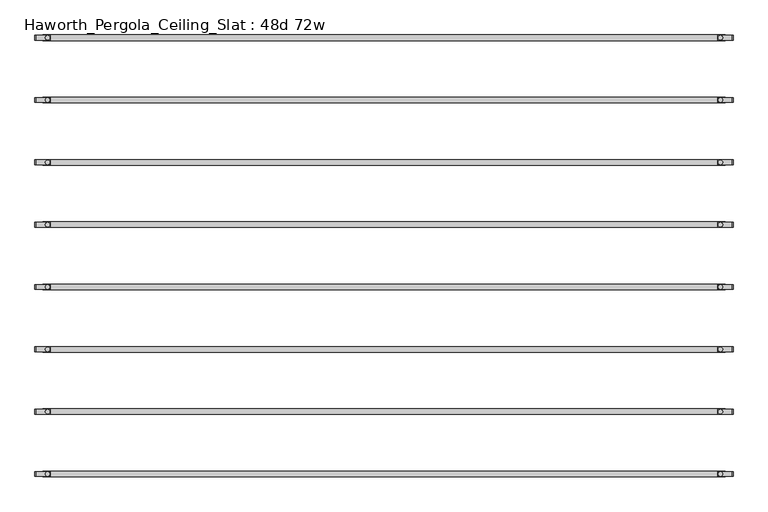
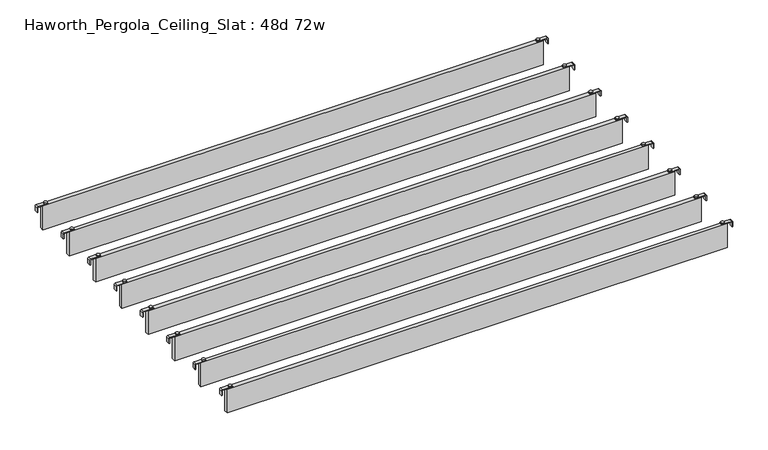
"""IFC4 building model written with IfcOpenShell, lengths in millimetres: furniture geometry, Haworth_Pergola_Ceiling_Slat : 48d 72w."""

from ifc_helpers import new_model, si_unit, point, frame, frame_2d, origin, place, context, project, spatial, polyline, circle_curve, trimmed, segment, composite_curve, outline, extrude, source, transform, mapped, element, save


def haworth_pergola_ceiling_slat_48d_72w_da40491f(model_context):
    return source(origin(), model_context, "Body", "SweptSolid", [
        extrude(outline(composite_curve([segment(trimmed(circle_curve(frame_2d((938.8, -921.4212857)), 5.9838099), [point((932.8161901, -921.4212857))], [point((944.7838099, -921.4212857))], False, "CARTESIAN"), True, "CONTINUOUS"), segment(trimmed(circle_curve(frame_2d((938.8, -921.4212857)), 5.9838099), [point((944.7838099, -921.4212857))], [point((932.8161901, -921.4212857))], False, "CARTESIAN"), True, "CONTINUOUS")], self_intersect=False)), frame((0.0, 0.0, 2440.9329992), z_axis=(0.0, 0.0, 1.0), x_axis=(1.0, 0.0, 0.0)), (0.0, 0.0, 1.0), 3.4400008),
        extrude(outline(composite_curve([segment(trimmed(circle_curve(frame_2d((-862.6, -921.4212857)), 5.9838099), [point((-856.6161901, -921.4212857))], [point((-868.5838099, -921.4212857))], False, "CARTESIAN"), True, "CONTINUOUS"), segment(trimmed(circle_curve(frame_2d((-862.6, -921.4212857)), 5.9838099), [point((-868.5838099, -921.4212857))], [point((-856.6161901, -921.4212857))], False, "CARTESIAN"), True, "CONTINUOUS")], self_intersect=False)), frame((0.0, 0.0, 2440.9329992), z_axis=(0.0, 0.0, 1.0), x_axis=(1.0, 0.0, 0.0)), (0.0, 0.0, 1.0), 3.4400008),
        extrude(outline(composite_curve([segment(polyline([(2419.2231711, 972.96), (2437.2499992, 972.96)]), True, "CONTINUOUS"), segment(trimmed(circle_curve(frame_2d((2437.2499992, 969.277)), 3.683), [point((2437.2499992, 972.96))], [point((2440.9329992, 969.277))], False, "CARTESIAN"), True, "CONTINUOUS"), segment(polyline([(2440.9329992, 969.277), (2440.9329992, 932.3), (2438.2729997, 932.3), (2438.2729997, 969.2905568)]), True, "CONTINUOUS"), segment(trimmed(circle_curve(frame_2d((2437.2635571, 969.2905568)), 1.0094425), [point((2438.2729997, 969.2905568))], [point((2437.2635571, 970.2999993))], True, "CARTESIAN"), True, "CONTINUOUS"), segment(polyline([(2437.2635571, 970.2999993), (2419.2231711, 970.2999993), (2419.2231711, 972.96)]), True, "CONTINUOUS")], self_intersect=False)), frame((0.0, -927.9142861, 0.0), z_axis=(0.0, 1.0, 0.0), x_axis=(0.0, 0.0, 1.0)), (0.0, 0.0, 1.0), 13.0),
        extrude(outline(composite_curve([segment(polyline([(2419.2231711, -896.76), (2419.2231711, -894.0999993), (2437.2635571, -894.0999993)]), True, "CONTINUOUS"), segment(trimmed(circle_curve(frame_2d((2437.2635571, -893.0905568)), 1.0094425), [point((2437.2635571, -894.0999993))], [point((2438.2729997, -893.0905568))], True, "CARTESIAN"), True, "CONTINUOUS"), segment(polyline([(2438.2729997, -893.0905568), (2438.2729997, -856.1), (2440.9329992, -856.1), (2440.9329992, -893.077)]), True, "CONTINUOUS"), segment(trimmed(circle_curve(frame_2d((2437.2499992, -893.077)), 3.683), [point((2440.9329992, -893.077))], [point((2437.2499992, -896.76))], False, "CARTESIAN"), True, "CONTINUOUS"), segment(polyline([(2437.2499992, -896.76), (2419.2231711, -896.76)]), True, "CONTINUOUS")], self_intersect=False)), frame((0.0, -927.9142861, 0.0), z_axis=(0.0, 1.0, 0.0), x_axis=(0.0, 0.0, 1.0)), (0.0, 0.0, 1.0), 13.0),
        extrude(outline(polyline([(-876.3, -928.9142857), (-876.3, -913.9282857), (952.5, -913.9282857), (952.5, -928.9142857), (-876.3, -928.9142857)])), frame((0.0, 0.0, 2346.198), z_axis=(0.0, 0.0, 1.0), x_axis=(1.0, 0.0, 0.0)), (0.0, 0.0, 1.0), 92.202),
        extrude(outline(composite_curve([segment(trimmed(circle_curve(frame_2d((938.8, -1088.3355714)), 5.9838099), [point((932.8161901, -1088.3355714))], [point((944.7838099, -1088.3355714))], False, "CARTESIAN"), True, "CONTINUOUS"), segment(trimmed(circle_curve(frame_2d((938.8, -1088.3355714)), 5.9838099), [point((944.7838099, -1088.3355714))], [point((932.8161901, -1088.3355714))], False, "CARTESIAN"), True, "CONTINUOUS")], self_intersect=False)), frame((0.0, 0.0, 2440.9329992), z_axis=(0.0, 0.0, 1.0), x_axis=(1.0, 0.0, 0.0)), (0.0, 0.0, 1.0), 3.4400008),
        extrude(outline(composite_curve([segment(trimmed(circle_curve(frame_2d((-862.6, -1088.3355714)), 5.9838099), [point((-856.6161901, -1088.3355714))], [point((-868.5838099, -1088.3355714))], False, "CARTESIAN"), True, "CONTINUOUS"), segment(trimmed(circle_curve(frame_2d((-862.6, -1088.3355714)), 5.9838099), [point((-868.5838099, -1088.3355714))], [point((-856.6161901, -1088.3355714))], False, "CARTESIAN"), True, "CONTINUOUS")], self_intersect=False)), frame((0.0, 0.0, 2440.9329992), z_axis=(0.0, 0.0, 1.0), x_axis=(1.0, 0.0, 0.0)), (0.0, 0.0, 1.0), 3.4400008),
        extrude(outline(composite_curve([segment(polyline([(2419.2231711, 972.96), (2437.2499992, 972.96)]), True, "CONTINUOUS"), segment(trimmed(circle_curve(frame_2d((2437.2499992, 969.277)), 3.683), [point((2437.2499992, 972.96))], [point((2440.9329992, 969.277))], False, "CARTESIAN"), True, "CONTINUOUS"), segment(polyline([(2440.9329992, 969.277), (2440.9329992, 932.3), (2438.2729997, 932.3), (2438.2729997, 969.2905568)]), True, "CONTINUOUS"), segment(trimmed(circle_curve(frame_2d((2437.2635571, 969.2905568)), 1.0094425), [point((2438.2729997, 969.2905568))], [point((2437.2635571, 970.2999993))], True, "CARTESIAN"), True, "CONTINUOUS"), segment(polyline([(2437.2635571, 970.2999993), (2419.2231711, 970.2999993), (2419.2231711, 972.96)]), True, "CONTINUOUS")], self_intersect=False)), frame((0.0, -1094.8285718, 0.0), z_axis=(0.0, 1.0, 0.0), x_axis=(0.0, 0.0, 1.0)), (0.0, 0.0, 1.0), 13.0),
        extrude(outline(composite_curve([segment(polyline([(2419.2231711, -896.76), (2419.2231711, -894.0999993), (2437.2635571, -894.0999993)]), True, "CONTINUOUS"), segment(trimmed(circle_curve(frame_2d((2437.2635571, -893.0905568)), 1.0094425), [point((2437.2635571, -894.0999993))], [point((2438.2729997, -893.0905568))], True, "CARTESIAN"), True, "CONTINUOUS"), segment(polyline([(2438.2729997, -893.0905568), (2438.2729997, -856.1), (2440.9329992, -856.1), (2440.9329992, -893.077)]), True, "CONTINUOUS"), segment(trimmed(circle_curve(frame_2d((2437.2499992, -893.077)), 3.683), [point((2440.9329992, -893.077))], [point((2437.2499992, -896.76))], False, "CARTESIAN"), True, "CONTINUOUS"), segment(polyline([(2437.2499992, -896.76), (2419.2231711, -896.76)]), True, "CONTINUOUS")], self_intersect=False)), frame((0.0, -1094.8285718, 0.0), z_axis=(0.0, 1.0, 0.0), x_axis=(0.0, 0.0, 1.0)), (0.0, 0.0, 1.0), 13.0),
        extrude(outline(polyline([(-876.3, -1095.8285714), (-876.3, -1080.8425714), (952.5, -1080.8425714), (952.5, -1095.8285714), (-876.3, -1095.8285714)])), frame((0.0, 0.0, 2346.198), z_axis=(0.0, 0.0, 1.0), x_axis=(1.0, 0.0, 0.0)), (0.0, 0.0, 1.0), 92.202),
        extrude(outline(composite_curve([segment(trimmed(circle_curve(frame_2d((938.8, -1255.2498571)), 5.9838099), [point((932.8161901, -1255.2498571))], [point((944.7838099, -1255.2498571))], False, "CARTESIAN"), True, "CONTINUOUS"), segment(trimmed(circle_curve(frame_2d((938.8, -1255.2498571)), 5.9838099), [point((944.7838099, -1255.2498571))], [point((932.8161901, -1255.2498571))], False, "CARTESIAN"), True, "CONTINUOUS")], self_intersect=False)), frame((0.0, 0.0, 2440.9329992), z_axis=(0.0, 0.0, 1.0), x_axis=(1.0, 0.0, 0.0)), (0.0, 0.0, 1.0), 3.4400008),
        extrude(outline(composite_curve([segment(trimmed(circle_curve(frame_2d((-862.6, -1255.2498571)), 5.9838099), [point((-856.6161901, -1255.2498571))], [point((-868.5838099, -1255.2498571))], False, "CARTESIAN"), True, "CONTINUOUS"), segment(trimmed(circle_curve(frame_2d((-862.6, -1255.2498571)), 5.9838099), [point((-868.5838099, -1255.2498571))], [point((-856.6161901, -1255.2498571))], False, "CARTESIAN"), True, "CONTINUOUS")], self_intersect=False)), frame((0.0, 0.0, 2440.9329992), z_axis=(0.0, 0.0, 1.0), x_axis=(1.0, 0.0, 0.0)), (0.0, 0.0, 1.0), 3.4400008),
        extrude(outline(composite_curve([segment(polyline([(2419.2231711, 972.96), (2437.2499992, 972.96)]), True, "CONTINUOUS"), segment(trimmed(circle_curve(frame_2d((2437.2499992, 969.277)), 3.683), [point((2437.2499992, 972.96))], [point((2440.9329992, 969.277))], False, "CARTESIAN"), True, "CONTINUOUS"), segment(polyline([(2440.9329992, 969.277), (2440.9329992, 932.3), (2438.2729997, 932.3), (2438.2729997, 969.2905568)]), True, "CONTINUOUS"), segment(trimmed(circle_curve(frame_2d((2437.2635571, 969.2905568)), 1.0094425), [point((2438.2729997, 969.2905568))], [point((2437.2635571, 970.2999993))], True, "CARTESIAN"), True, "CONTINUOUS"), segment(polyline([(2437.2635571, 970.2999993), (2419.2231711, 970.2999993), (2419.2231711, 972.96)]), True, "CONTINUOUS")], self_intersect=False)), frame((0.0, -1261.7428575, 0.0), z_axis=(0.0, 1.0, 0.0), x_axis=(0.0, 0.0, 1.0)), (0.0, 0.0, 1.0), 13.0),
        extrude(outline(composite_curve([segment(polyline([(2419.2231711, -896.76), (2419.2231711, -894.0999993), (2437.2635571, -894.0999993)]), True, "CONTINUOUS"), segment(trimmed(circle_curve(frame_2d((2437.2635571, -893.0905568)), 1.0094425), [point((2437.2635571, -894.0999993))], [point((2438.2729997, -893.0905568))], True, "CARTESIAN"), True, "CONTINUOUS"), segment(polyline([(2438.2729997, -893.0905568), (2438.2729997, -856.1), (2440.9329992, -856.1), (2440.9329992, -893.077)]), True, "CONTINUOUS"), segment(trimmed(circle_curve(frame_2d((2437.2499992, -893.077)), 3.683), [point((2440.9329992, -893.077))], [point((2437.2499992, -896.76))], False, "CARTESIAN"), True, "CONTINUOUS"), segment(polyline([(2437.2499992, -896.76), (2419.2231711, -896.76)]), True, "CONTINUOUS")], self_intersect=False)), frame((0.0, -1261.7428575, 0.0), z_axis=(0.0, 1.0, 0.0), x_axis=(0.0, 0.0, 1.0)), (0.0, 0.0, 1.0), 13.0),
        extrude(outline(polyline([(-876.3, -1262.7428571), (-876.3, -1247.7568571), (952.5, -1247.7568571), (952.5, -1262.7428571), (-876.3, -1262.7428571)])), frame((0.0, 0.0, 2346.198), z_axis=(0.0, 0.0, 1.0), x_axis=(1.0, 0.0, 0.0)), (0.0, 0.0, 1.0), 92.202),
        extrude(outline(composite_curve([segment(trimmed(circle_curve(frame_2d((938.8, -1422.1641429)), 5.9838099), [point((932.8161901, -1422.1641429))], [point((944.7838099, -1422.1641429))], False, "CARTESIAN"), True, "CONTINUOUS"), segment(trimmed(circle_curve(frame_2d((938.8, -1422.1641429)), 5.9838099), [point((944.7838099, -1422.1641429))], [point((932.8161901, -1422.1641429))], False, "CARTESIAN"), True, "CONTINUOUS")], self_intersect=False)), frame((0.0, 0.0, 2440.9329992), z_axis=(0.0, 0.0, 1.0), x_axis=(1.0, 0.0, 0.0)), (0.0, 0.0, 1.0), 3.4400008),
        extrude(outline(composite_curve([segment(trimmed(circle_curve(frame_2d((-862.6, -1422.1641429)), 5.9838099), [point((-856.6161901, -1422.1641429))], [point((-868.5838099, -1422.1641429))], False, "CARTESIAN"), True, "CONTINUOUS"), segment(trimmed(circle_curve(frame_2d((-862.6, -1422.1641429)), 5.9838099), [point((-868.5838099, -1422.1641429))], [point((-856.6161901, -1422.1641429))], False, "CARTESIAN"), True, "CONTINUOUS")], self_intersect=False)), frame((0.0, 0.0, 2440.9329992), z_axis=(0.0, 0.0, 1.0), x_axis=(1.0, 0.0, 0.0)), (0.0, 0.0, 1.0), 3.4400008),
        extrude(outline(composite_curve([segment(polyline([(2419.2231711, 972.96), (2437.2499992, 972.96)]), True, "CONTINUOUS"), segment(trimmed(circle_curve(frame_2d((2437.2499992, 969.277)), 3.683), [point((2437.2499992, 972.96))], [point((2440.9329992, 969.277))], False, "CARTESIAN"), True, "CONTINUOUS"), segment(polyline([(2440.9329992, 969.277), (2440.9329992, 932.3), (2438.2729997, 932.3), (2438.2729997, 969.2905568)]), True, "CONTINUOUS"), segment(trimmed(circle_curve(frame_2d((2437.2635571, 969.2905568)), 1.0094425), [point((2438.2729997, 969.2905568))], [point((2437.2635571, 970.2999993))], True, "CARTESIAN"), True, "CONTINUOUS"), segment(polyline([(2437.2635571, 970.2999993), (2419.2231711, 970.2999993), (2419.2231711, 972.96)]), True, "CONTINUOUS")], self_intersect=False)), frame((0.0, -1428.6571432, 0.0), z_axis=(0.0, 1.0, 0.0), x_axis=(0.0, 0.0, 1.0)), (0.0, 0.0, 1.0), 13.0),
        extrude(outline(composite_curve([segment(polyline([(2419.2231711, -896.76), (2419.2231711, -894.0999993), (2437.2635571, -894.0999993)]), True, "CONTINUOUS"), segment(trimmed(circle_curve(frame_2d((2437.2635571, -893.0905568)), 1.0094425), [point((2437.2635571, -894.0999993))], [point((2438.2729997, -893.0905568))], True, "CARTESIAN"), True, "CONTINUOUS"), segment(polyline([(2438.2729997, -893.0905568), (2438.2729997, -856.1), (2440.9329992, -856.1), (2440.9329992, -893.077)]), True, "CONTINUOUS"), segment(trimmed(circle_curve(frame_2d((2437.2499992, -893.077)), 3.683), [point((2440.9329992, -893.077))], [point((2437.2499992, -896.76))], False, "CARTESIAN"), True, "CONTINUOUS"), segment(polyline([(2437.2499992, -896.76), (2419.2231711, -896.76)]), True, "CONTINUOUS")], self_intersect=False)), frame((0.0, -1428.6571432, 0.0), z_axis=(0.0, 1.0, 0.0), x_axis=(0.0, 0.0, 1.0)), (0.0, 0.0, 1.0), 13.0),
        extrude(outline(polyline([(-876.3, -1429.6571429), (-876.3, -1414.6711429), (952.5, -1414.6711429), (952.5, -1429.6571429), (-876.3, -1429.6571429)])), frame((0.0, 0.0, 2346.198), z_axis=(0.0, 0.0, 1.0), x_axis=(1.0, 0.0, 0.0)), (0.0, 0.0, 1.0), 92.202),
        extrude(outline(composite_curve([segment(trimmed(circle_curve(frame_2d((938.8, -1589.0784286)), 5.9838099), [point((932.8161901, -1589.0784286))], [point((944.7838099, -1589.0784286))], False, "CARTESIAN"), True, "CONTINUOUS"), segment(trimmed(circle_curve(frame_2d((938.8, -1589.0784286)), 5.9838099), [point((944.7838099, -1589.0784286))], [point((932.8161901, -1589.0784286))], False, "CARTESIAN"), True, "CONTINUOUS")], self_intersect=False)), frame((0.0, 0.0, 2440.9329992), z_axis=(0.0, 0.0, 1.0), x_axis=(1.0, 0.0, 0.0)), (0.0, 0.0, 1.0), 3.4400008),
        extrude(outline(composite_curve([segment(trimmed(circle_curve(frame_2d((-862.6, -1589.0784286)), 5.9838099), [point((-856.6161901, -1589.0784286))], [point((-868.5838099, -1589.0784286))], False, "CARTESIAN"), True, "CONTINUOUS"), segment(trimmed(circle_curve(frame_2d((-862.6, -1589.0784286)), 5.9838099), [point((-868.5838099, -1589.0784286))], [point((-856.6161901, -1589.0784286))], False, "CARTESIAN"), True, "CONTINUOUS")], self_intersect=False)), frame((0.0, 0.0, 2440.9329992), z_axis=(0.0, 0.0, 1.0), x_axis=(1.0, 0.0, 0.0)), (0.0, 0.0, 1.0), 3.4400008),
        extrude(outline(composite_curve([segment(polyline([(2419.2231711, 972.96), (2437.2499992, 972.96)]), True, "CONTINUOUS"), segment(trimmed(circle_curve(frame_2d((2437.2499992, 969.277)), 3.683), [point((2437.2499992, 972.96))], [point((2440.9329992, 969.277))], False, "CARTESIAN"), True, "CONTINUOUS"), segment(polyline([(2440.9329992, 969.277), (2440.9329992, 932.3), (2438.2729997, 932.3), (2438.2729997, 969.2905568)]), True, "CONTINUOUS"), segment(trimmed(circle_curve(frame_2d((2437.2635571, 969.2905568)), 1.0094425), [point((2438.2729997, 969.2905568))], [point((2437.2635571, 970.2999993))], True, "CARTESIAN"), True, "CONTINUOUS"), segment(polyline([(2437.2635571, 970.2999993), (2419.2231711, 970.2999993), (2419.2231711, 972.96)]), True, "CONTINUOUS")], self_intersect=False)), frame((0.0, -1595.5714289, 0.0), z_axis=(0.0, 1.0, 0.0), x_axis=(0.0, 0.0, 1.0)), (0.0, 0.0, 1.0), 13.0),
        extrude(outline(composite_curve([segment(polyline([(2419.2231711, -896.76), (2419.2231711, -894.0999993), (2437.2635571, -894.0999993)]), True, "CONTINUOUS"), segment(trimmed(circle_curve(frame_2d((2437.2635571, -893.0905568)), 1.0094425), [point((2437.2635571, -894.0999993))], [point((2438.2729997, -893.0905568))], True, "CARTESIAN"), True, "CONTINUOUS"), segment(polyline([(2438.2729997, -893.0905568), (2438.2729997, -856.1), (2440.9329992, -856.1), (2440.9329992, -893.077)]), True, "CONTINUOUS"), segment(trimmed(circle_curve(frame_2d((2437.2499992, -893.077)), 3.683), [point((2440.9329992, -893.077))], [point((2437.2499992, -896.76))], False, "CARTESIAN"), True, "CONTINUOUS"), segment(polyline([(2437.2499992, -896.76), (2419.2231711, -896.76)]), True, "CONTINUOUS")], self_intersect=False)), frame((0.0, -1595.5714289, 0.0), z_axis=(0.0, 1.0, 0.0), x_axis=(0.0, 0.0, 1.0)), (0.0, 0.0, 1.0), 13.0),
        extrude(outline(polyline([(-876.3, -1596.5714286), (-876.3, -1581.5854286), (952.5, -1581.5854286), (952.5, -1596.5714286), (-876.3, -1596.5714286)])), frame((0.0, 0.0, 2346.198), z_axis=(0.0, 0.0, 1.0), x_axis=(1.0, 0.0, 0.0)), (0.0, 0.0, 1.0), 92.202),
        extrude(outline(composite_curve([segment(trimmed(circle_curve(frame_2d((938.8, -1755.9927143)), 5.9838099), [point((932.8161901, -1755.9927143))], [point((944.7838099, -1755.9927143))], False, "CARTESIAN"), True, "CONTINUOUS"), segment(trimmed(circle_curve(frame_2d((938.8, -1755.9927143)), 5.9838099), [point((944.7838099, -1755.9927143))], [point((932.8161901, -1755.9927143))], False, "CARTESIAN"), True, "CONTINUOUS")], self_intersect=False)), frame((0.0, 0.0, 2440.9329992), z_axis=(0.0, 0.0, 1.0), x_axis=(1.0, 0.0, 0.0)), (0.0, 0.0, 1.0), 3.4400008),
        extrude(outline(composite_curve([segment(trimmed(circle_curve(frame_2d((-862.6, -1755.9927143)), 5.9838099), [point((-856.6161901, -1755.9927143))], [point((-868.5838099, -1755.9927143))], False, "CARTESIAN"), True, "CONTINUOUS"), segment(trimmed(circle_curve(frame_2d((-862.6, -1755.9927143)), 5.9838099), [point((-868.5838099, -1755.9927143))], [point((-856.6161901, -1755.9927143))], False, "CARTESIAN"), True, "CONTINUOUS")], self_intersect=False)), frame((0.0, 0.0, 2440.9329992), z_axis=(0.0, 0.0, 1.0), x_axis=(1.0, 0.0, 0.0)), (0.0, 0.0, 1.0), 3.4400008),
        extrude(outline(composite_curve([segment(polyline([(2419.2231711, 972.96), (2437.2499992, 972.96)]), True, "CONTINUOUS"), segment(trimmed(circle_curve(frame_2d((2437.2499992, 969.277)), 3.683), [point((2437.2499992, 972.96))], [point((2440.9329992, 969.277))], False, "CARTESIAN"), True, "CONTINUOUS"), segment(polyline([(2440.9329992, 969.277), (2440.9329992, 932.3), (2438.2729997, 932.3), (2438.2729997, 969.2905568)]), True, "CONTINUOUS"), segment(trimmed(circle_curve(frame_2d((2437.2635571, 969.2905568)), 1.0094425), [point((2438.2729997, 969.2905568))], [point((2437.2635571, 970.2999993))], True, "CARTESIAN"), True, "CONTINUOUS"), segment(polyline([(2437.2635571, 970.2999993), (2419.2231711, 970.2999993), (2419.2231711, 972.96)]), True, "CONTINUOUS")], self_intersect=False)), frame((0.0, -1762.4857146, 0.0), z_axis=(0.0, 1.0, 0.0), x_axis=(0.0, 0.0, 1.0)), (0.0, 0.0, 1.0), 13.0),
        extrude(outline(composite_curve([segment(polyline([(2419.2231711, -896.76), (2419.2231711, -894.0999993), (2437.2635571, -894.0999993)]), True, "CONTINUOUS"), segment(trimmed(circle_curve(frame_2d((2437.2635571, -893.0905568)), 1.0094425), [point((2437.2635571, -894.0999993))], [point((2438.2729997, -893.0905568))], True, "CARTESIAN"), True, "CONTINUOUS"), segment(polyline([(2438.2729997, -893.0905568), (2438.2729997, -856.1), (2440.9329992, -856.1), (2440.9329992, -893.077)]), True, "CONTINUOUS"), segment(trimmed(circle_curve(frame_2d((2437.2499992, -893.077)), 3.683), [point((2440.9329992, -893.077))], [point((2437.2499992, -896.76))], False, "CARTESIAN"), True, "CONTINUOUS"), segment(polyline([(2437.2499992, -896.76), (2419.2231711, -896.76)]), True, "CONTINUOUS")], self_intersect=False)), frame((0.0, -1762.4857146, 0.0), z_axis=(0.0, 1.0, 0.0), x_axis=(0.0, 0.0, 1.0)), (0.0, 0.0, 1.0), 13.0),
        extrude(outline(polyline([(-876.3, -1763.4857143), (-876.3, -1748.4997143), (952.5, -1748.4997143), (952.5, -1763.4857143), (-876.3, -1763.4857143)])), frame((0.0, 0.0, 2346.198), z_axis=(0.0, 0.0, 1.0), x_axis=(1.0, 0.0, 0.0)), (0.0, 0.0, 1.0), 92.202),
        extrude(outline(composite_curve([segment(trimmed(circle_curve(frame_2d((938.8, -754.507)), 5.9838099), [point((932.8161901, -754.507))], [point((944.7838099, -754.507))], False, "CARTESIAN"), True, "CONTINUOUS"), segment(trimmed(circle_curve(frame_2d((938.8, -754.507)), 5.9838099), [point((944.7838099, -754.507))], [point((932.8161901, -754.507))], False, "CARTESIAN"), True, "CONTINUOUS")], self_intersect=False)), frame((0.0, 0.0, 2440.9329992), z_axis=(0.0, 0.0, 1.0), x_axis=(1.0, 0.0, 0.0)), (0.0, 0.0, 1.0), 3.4400008),
        extrude(outline(composite_curve([segment(trimmed(circle_curve(frame_2d((-862.6, -754.507)), 5.9838099), [point((-856.6161901, -754.507))], [point((-868.5838099, -754.507))], False, "CARTESIAN"), True, "CONTINUOUS"), segment(trimmed(circle_curve(frame_2d((-862.6, -754.507)), 5.9838099), [point((-868.5838099, -754.507))], [point((-856.6161901, -754.507))], False, "CARTESIAN"), True, "CONTINUOUS")], self_intersect=False)), frame((0.0, 0.0, 2440.9329992), z_axis=(0.0, 0.0, 1.0), x_axis=(1.0, 0.0, 0.0)), (0.0, 0.0, 1.0), 3.4400008),
        extrude(outline(composite_curve([segment(polyline([(2419.2231711, 972.96), (2437.2499992, 972.96)]), True, "CONTINUOUS"), segment(trimmed(circle_curve(frame_2d((2437.2499992, 969.277)), 3.683), [point((2437.2499992, 972.96))], [point((2440.9329992, 969.277))], False, "CARTESIAN"), True, "CONTINUOUS"), segment(polyline([(2440.9329992, 969.277), (2440.9329992, 932.3), (2438.2729997, 932.3), (2438.2729997, 969.2905568)]), True, "CONTINUOUS"), segment(trimmed(circle_curve(frame_2d((2437.2635571, 969.2905568)), 1.0094425), [point((2438.2729997, 969.2905568))], [point((2437.2635571, 970.2999993))], True, "CARTESIAN"), True, "CONTINUOUS"), segment(polyline([(2437.2635571, 970.2999993), (2419.2231711, 970.2999993), (2419.2231711, 972.96)]), True, "CONTINUOUS")], self_intersect=False)), frame((0.0, -761.0000003, 0.0), z_axis=(0.0, 1.0, 0.0), x_axis=(0.0, 0.0, 1.0)), (0.0, 0.0, 1.0), 13.0),
        extrude(outline(composite_curve([segment(polyline([(2419.2231711, -896.76), (2419.2231711, -894.0999993), (2437.2635571, -894.0999993)]), True, "CONTINUOUS"), segment(trimmed(circle_curve(frame_2d((2437.2635571, -893.0905568)), 1.0094425), [point((2437.2635571, -894.0999993))], [point((2438.2729997, -893.0905568))], True, "CARTESIAN"), True, "CONTINUOUS"), segment(polyline([(2438.2729997, -893.0905568), (2438.2729997, -856.1), (2440.9329992, -856.1), (2440.9329992, -893.077)]), True, "CONTINUOUS"), segment(trimmed(circle_curve(frame_2d((2437.2499992, -893.077)), 3.683), [point((2440.9329992, -893.077))], [point((2437.2499992, -896.76))], False, "CARTESIAN"), True, "CONTINUOUS"), segment(polyline([(2437.2499992, -896.76), (2419.2231711, -896.76)]), True, "CONTINUOUS")], self_intersect=False)), frame((0.0, -761.0000003, 0.0), z_axis=(0.0, 1.0, 0.0), x_axis=(0.0, 0.0, 1.0)), (0.0, 0.0, 1.0), 13.0),
        extrude(outline(polyline([(-876.3, -762.0), (-876.3, -747.014), (952.5, -747.014), (952.5, -762.0), (-876.3, -762.0)])), frame((0.0, 0.0, 2346.198), z_axis=(0.0, 0.0, 1.0), x_axis=(1.0, 0.0, 0.0)), (0.0, 0.0, 1.0), 92.202),
        extrude(outline(composite_curve([segment(trimmed(circle_curve(frame_2d((938.8, -1922.907)), 5.9838099), [point((932.8161901, -1922.907))], [point((944.7838099, -1922.907))], False, "CARTESIAN"), True, "CONTINUOUS"), segment(trimmed(circle_curve(frame_2d((938.8, -1922.907)), 5.9838099), [point((944.7838099, -1922.907))], [point((932.8161901, -1922.907))], False, "CARTESIAN"), True, "CONTINUOUS")], self_intersect=False)), frame((0.0, 0.0, 2440.9329992), z_axis=(0.0, 0.0, 1.0), x_axis=(1.0, 0.0, 0.0)), (0.0, 0.0, 1.0), 3.4400008),
        extrude(outline(composite_curve([segment(trimmed(circle_curve(frame_2d((-862.6, -1922.907)), 5.9838099), [point((-856.6161901, -1922.907))], [point((-868.5838099, -1922.907))], False, "CARTESIAN"), True, "CONTINUOUS"), segment(trimmed(circle_curve(frame_2d((-862.6, -1922.907)), 5.9838099), [point((-868.5838099, -1922.907))], [point((-856.6161901, -1922.907))], False, "CARTESIAN"), True, "CONTINUOUS")], self_intersect=False)), frame((0.0, 0.0, 2440.9329992), z_axis=(0.0, 0.0, 1.0), x_axis=(1.0, 0.0, 0.0)), (0.0, 0.0, 1.0), 3.4400008),
        extrude(outline(composite_curve([segment(polyline([(2419.2231711, 972.96), (2437.2499992, 972.96)]), True, "CONTINUOUS"), segment(trimmed(circle_curve(frame_2d((2437.2499992, 969.277)), 3.683), [point((2437.2499992, 972.96))], [point((2440.9329992, 969.277))], False, "CARTESIAN"), True, "CONTINUOUS"), segment(polyline([(2440.9329992, 969.277), (2440.9329992, 932.3), (2438.2729997, 932.3), (2438.2729997, 969.2905568)]), True, "CONTINUOUS"), segment(trimmed(circle_curve(frame_2d((2437.2635571, 969.2905568)), 1.0094425), [point((2438.2729997, 969.2905568))], [point((2437.2635571, 970.2999993))], True, "CARTESIAN"), True, "CONTINUOUS"), segment(polyline([(2437.2635571, 970.2999993), (2419.2231711, 970.2999993), (2419.2231711, 972.96)]), True, "CONTINUOUS")], self_intersect=False)), frame((0.0, -1929.4000003, 0.0), z_axis=(0.0, 1.0, 0.0), x_axis=(0.0, 0.0, 1.0)), (0.0, 0.0, 1.0), 13.0),
        extrude(outline(composite_curve([segment(polyline([(2419.2231711, -896.76), (2419.2231711, -894.0999993), (2437.2635571, -894.0999993)]), True, "CONTINUOUS"), segment(trimmed(circle_curve(frame_2d((2437.2635571, -893.0905568)), 1.0094425), [point((2437.2635571, -894.0999993))], [point((2438.2729997, -893.0905568))], True, "CARTESIAN"), True, "CONTINUOUS"), segment(polyline([(2438.2729997, -893.0905568), (2438.2729997, -856.1), (2440.9329992, -856.1), (2440.9329992, -893.077)]), True, "CONTINUOUS"), segment(trimmed(circle_curve(frame_2d((2437.2499992, -893.077)), 3.683), [point((2440.9329992, -893.077))], [point((2437.2499992, -896.76))], False, "CARTESIAN"), True, "CONTINUOUS"), segment(polyline([(2437.2499992, -896.76), (2419.2231711, -896.76)]), True, "CONTINUOUS")], self_intersect=False)), frame((0.0, -1929.4000003, 0.0), z_axis=(0.0, 1.0, 0.0), x_axis=(0.0, 0.0, 1.0)), (0.0, 0.0, 1.0), 13.0),
        extrude(outline(polyline([(-876.3, -1930.4), (-876.3, -1915.414), (952.5, -1915.414), (952.5, -1930.4), (-876.3, -1930.4)])), frame((0.0, 0.0, 2346.198), z_axis=(0.0, 0.0, 1.0), x_axis=(1.0, 0.0, 0.0)), (0.0, 0.0, 1.0), 92.202),
    ])


if __name__ == "__main__":
    model = new_model("IFC4")
    model_context = context("Model", 3, world=origin())
    ifc_project = project(units=[si_unit("LENGTHUNIT", "METRE", prefix="MILLI")], contexts=[model_context])
    site = spatial("IfcSite", under=ifc_project)
    building = spatial("IfcBuilding", under=site)
    placement = place(None, origin())
    haworth_pergola_ceiling_slat_48d_72w_shape = haworth_pergola_ceiling_slat_48d_72w_da40491f(model_context)
    element("IfcFurniture", 1, ObjectType="Haworth_Pergola_Ceiling_Slat : 48d 72w", at=placement, inside=building, context=model_context, shape_type="MappedRepresentation", body=[
        mapped(haworth_pergola_ceiling_slat_48d_72w_shape, transform((0.0, 0.0, 0.0), x_axis=(1.0, 0.0, 0.0), y_axis=(0.0, 1.0, 0.0), z_axis=(0.0, 0.0, 1.0))),
    ])
    save(model, "model.ifc")
